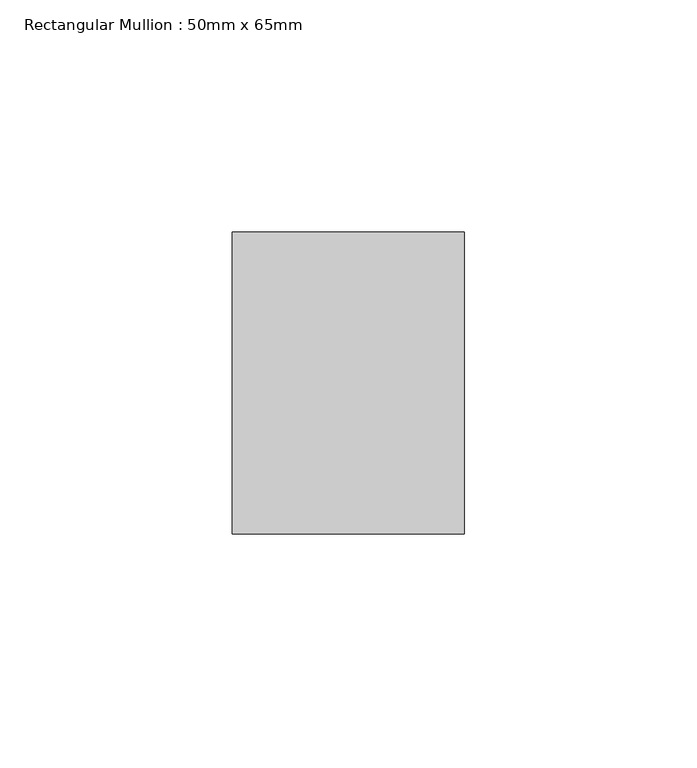
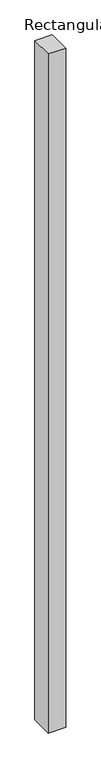
"""IFC4 building model written with IfcOpenShell, lengths in millimetres: member geometry, Rectangular Mullion : 50mm x 65mm."""

from ifc_helpers import new_model, si_unit, frame, origin, place, context, project, spatial, polyline, outline, extrude, source, transform, mapped, element, save


def rectangular_mullion_50mm_x_65mm_b3ddc088(model_context):
    return source(origin(), model_context, "Body", "SweptSolid", [
        extrude(outline(polyline([(25.0, 32.5), (25.0, -32.5), (-25.0, -32.5), (-25.0, 32.5), (25.0, 32.5)])), frame((0.0, 0.0, -2042.0388239), z_axis=(0.0, 0.0, 1.0), x_axis=(1.0, 0.0, 0.0)), (0.0, 0.0, 1.0), 2042.0388239),
    ])


if __name__ == "__main__":
    model = new_model("IFC4")
    model_context = context("Model", 3, world=origin())
    ifc_project = project(units=[si_unit("LENGTHUNIT", "METRE", prefix="MILLI")], contexts=[model_context])
    site = spatial("IfcSite", under=ifc_project)
    building = spatial("IfcBuilding", under=site)
    placement = place(None, origin())
    rectangular_mullion_50mm_x_65mm_shape = rectangular_mullion_50mm_x_65mm_b3ddc088(model_context)
    element("IfcMember", 1, ObjectType="Rectangular Mullion : 50mm x 65mm", at=placement, inside=building, context=model_context, shape_type="MappedRepresentation", body=[
        mapped(rectangular_mullion_50mm_x_65mm_shape, transform((0.0, 0.0, 0.0), x_axis=(1.0, 0.0, 0.0), y_axis=(0.0, 1.0, 0.0), z_axis=(0.0, 0.0, 1.0))),
    ])
    save(model, "model.ifc")
